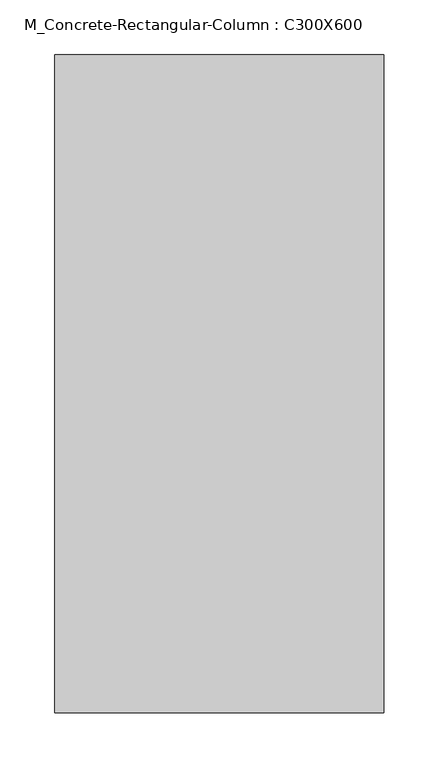
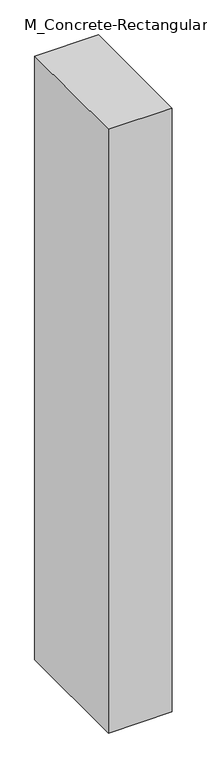
"""IFC4 building model written with IfcOpenShell, lengths in millimetres: column geometry, M_Concrete-Rectangular-Column : C300X600."""

from ifc_helpers import new_model, si_unit, origin, origin_with_axes, place, context, project, spatial, polyline, outline, extrude, source, transform, mapped, element, save


def m_concrete_rectangular_column_c300x600_c32dac4c(model_context):
    return source(origin(), model_context, "Body", "SweptSolid", [
        extrude(outline(polyline([(150.0, 300.0), (150.0, -300.0), (-150.0, -300.0), (-150.0, 300.0), (150.0, 300.0)])), origin_with_axes(), (0.0, 0.0, 1.0), 3000.0),
    ])


if __name__ == "__main__":
    model = new_model("IFC4")
    model_context = context("Model", 3, world=origin())
    ifc_project = project(units=[si_unit("LENGTHUNIT", "METRE", prefix="MILLI")], contexts=[model_context])
    site = spatial("IfcSite", under=ifc_project)
    building = spatial("IfcBuilding", under=site)
    placement = place(None, origin())
    m_concrete_rectangular_column_c300x600_shape = m_concrete_rectangular_column_c300x600_c32dac4c(model_context)
    element("IfcColumn", 1, ObjectType="M_Concrete-Rectangular-Column : C300X600", at=placement, inside=building, context=model_context, shape_type="MappedRepresentation", body=[
        mapped(m_concrete_rectangular_column_c300x600_shape, transform((0.0, 0.0, 0.0), x_axis=(1.0, 0.0, 0.0), y_axis=(0.0, 1.0, 0.0), z_axis=(0.0, 0.0, 1.0))),
    ])
    save(model, "model.ifc")
